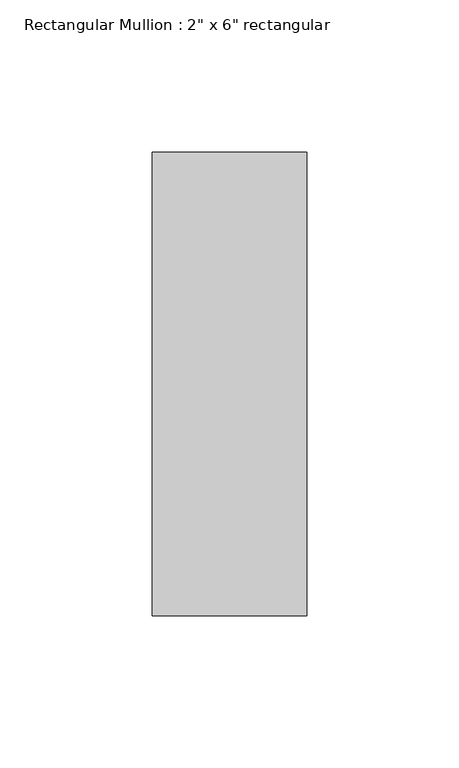
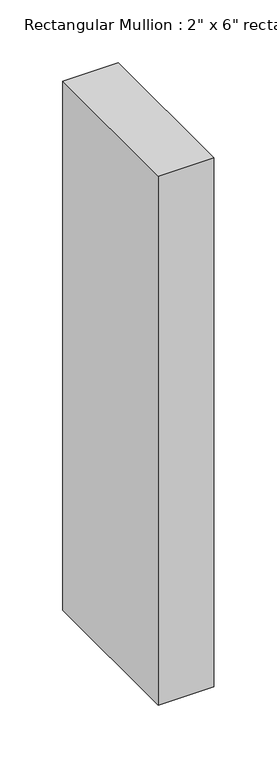
"""IFC4 building model written with IfcOpenShell, lengths in millimetres: member geometry."""

import ifcopenshell
import ifcopenshell.guid

model = None  # the IFC model being written
_history = None  # IfcOwnerHistory: only IFC2X3 demands one
_inside = {}  # id of a spatial element -> (the spatial element, [elements in it])
_under = {}  # id of a project, library or spatial element -> (it, [spatial elements below it])
_declared = {}  # id of a project -> (the project, [libraries it declares])
_typed = {}  # id of a type object -> (the type object, [elements of that type])
_made_of = {}  # id of a material, layer set ... -> (it, [elements and type objects made of it])


def new_model(schema):
    """Start an empty IFC model of exactly this schema.

    Asked for "IFC4X3", IfcOpenShell would pick the latest addendum, in which some entities
    have other attributes; the version numbers below select the first issue.
    IFC2X3 requires an IfcOwnerHistory on every rooted entity: one is made here for all.
    """
    global model, _history
    if schema == "IFC4X3":
        model = ifcopenshell.file(schema_version=(4, 3, 0, 0))
    else:
        model = ifcopenshell.file(schema=schema)
    _inside.clear()
    _under.clear()
    _declared.clear()
    _typed.clear()
    _made_of.clear()
    _history = None
    if model.schema == "IFC2X3":
        org = make("IfcOrganization", Name="unknown")
        user = make(
            "IfcPersonAndOrganization",
            ThePerson=make("IfcPerson", FamilyName="unknown"),
            TheOrganization=org,
        )
        app = make(
            "IfcApplication",
            ApplicationDeveloper=org,
            Version="unknown",
            ApplicationFullName="unknown",
            ApplicationIdentifier="unknown",
        )
        _history = make(
            "IfcOwnerHistory",
            OwningUser=user,
            OwningApplication=app,
            ChangeAction="ADDED",
            CreationDate=0,
        )
    return model


def make(cls, **values):
    """One entity of the class cls with the attributes given. An attribute that is None is left unset."""
    return model.create_entity(
        cls, **{name: value for name, value in values.items() if value is not None}
    )


def rooted(cls, **values):
    """An entity with a GlobalId (a new one), such as an element, a storey or a relation."""
    return make(cls, GlobalId=ifcopenshell.guid.new(), OwnerHistory=_history, **values)


def si_unit(unit_type, name, prefix=None):
    """IfcSIUnit, for example si_unit("LENGTHUNIT", "METRE", prefix="MILLI")."""
    return make("IfcSIUnit", UnitType=unit_type, Prefix=prefix, Name=name)


def assignment(units):
    """IfcUnitAssignment: the units of a project."""
    return None if units is None else make("IfcUnitAssignment", Units=units)


def point(xyz):
    """IfcCartesianPoint."""
    return None if xyz is None else make("IfcCartesianPoint", Coordinates=xyz)


def direction(xyz):
    """IfcDirection."""
    return None if xyz is None else make("IfcDirection", DirectionRatios=xyz)


def frame(location, z_axis=None, x_axis=None):
    """IfcAxis2Placement3D, a coordinate frame: its origin and axes. An axis left out is left unset."""
    return make(
        "IfcAxis2Placement3D",
        Location=point(location),
        Axis=direction(z_axis),
        RefDirection=direction(x_axis),
    )


def origin():
    """The frame at (0, 0, 0) with its axes left unset."""
    return frame((0.0, 0.0, 0.0))


def place(relative_to, where):
    """IfcLocalPlacement: puts the frame where relative to a parent placement (None: the world)."""
    return make(
        "IfcLocalPlacement", PlacementRelTo=relative_to, RelativePlacement=where
    )


def context(
    kind, dimensions, precision=None, world=None, true_north=None, identifier=None
):
    """IfcGeometricRepresentationContext, for example the 3D "Model" context."""
    return make(
        "IfcGeometricRepresentationContext",
        ContextIdentifier=identifier,
        ContextType=kind,
        CoordinateSpaceDimension=dimensions,
        Precision=precision,
        WorldCoordinateSystem=world,
        TrueNorth=true_north,
    )


def project(units=None, contexts=None):
    """IfcProject with its units and contexts."""
    return rooted(
        "IfcProject",
        Name="project",
        RepresentationContexts=contexts,
        UnitsInContext=assignment(units),
    )


def spatial(cls, under=None, at=None, **own):
    """A site, building, storey or space (cls), placed at a placement, below another one or the project."""
    s = rooted(cls, ObjectPlacement=at, **own)
    if under is not None:
        _under.setdefault(under.id(), (under, []))[1].append(s)
    return s


def polyline(points):
    """IfcPolyline through the points."""
    return make("IfcPolyline", Points=[point(p) for p in points])


def outline(outer, holes=None, kind="AREA"):
    """IfcArbitraryClosedProfileDef: a profile drawn as a closed curve; with holes, ...WithVoids."""
    if holes is None:
        return make("IfcArbitraryClosedProfileDef", ProfileType=kind, OuterCurve=outer)
    return make(
        "IfcArbitraryProfileDefWithVoids",
        ProfileType=kind,
        OuterCurve=outer,
        InnerCurves=holes,
    )


def extrude(swept, where, along, depth):
    """IfcExtrudedAreaSolid: the profile swept, set in the frame where, extruded along a direction by depth."""
    return make(
        "IfcExtrudedAreaSolid",
        SweptArea=swept,
        Position=where,
        ExtrudedDirection=direction(along),
        Depth=depth,
    )


def shape(context_of_items, identifier, shape_type, items):
    """IfcShapeRepresentation: the items that make up one representation, for example the "Body"."""
    return make(
        "IfcShapeRepresentation",
        ContextOfItems=context_of_items,
        RepresentationIdentifier=identifier,
        RepresentationType=shape_type,
        Items=items,
    )


def source(mapping_origin, context_of_items, identifier, shape_type, items):
    """IfcRepresentationMap: a shape defined once, which mapped items show again and again."""
    return make(
        "IfcRepresentationMap",
        MappingOrigin=mapping_origin,
        MappedRepresentation=shape(context_of_items, identifier, shape_type, items),
    )


def transform(
    local_origin,
    x_axis=None,
    y_axis=None,
    z_axis=None,
    scale=None,
    scale2=None,
    scale3=None,
    uniform=True,
):
    """IfcCartesianTransformationOperator3D, or its non-uniform kind. x_axis, y_axis, z_axis: its Axis1, 2, 3."""
    if uniform:
        return make(
            "IfcCartesianTransformationOperator3D",
            Axis1=direction(x_axis),
            Axis2=direction(y_axis),
            LocalOrigin=point(local_origin),
            Scale=scale,
            Axis3=direction(z_axis),
        )
    return make(
        "IfcCartesianTransformationOperator3DnonUniform",
        Axis1=direction(x_axis),
        Axis2=direction(y_axis),
        LocalOrigin=point(local_origin),
        Scale=scale,
        Axis3=direction(z_axis),
        Scale2=scale2,
        Scale3=scale3,
    )


def mapped(mapping_source, mapping_target):
    """IfcMappedItem: shows the shape of a source again, moved by a transform."""
    return make(
        "IfcMappedItem", MappingSource=mapping_source, MappingTarget=mapping_target
    )


def made_of(thing, what):
    """Note that an element or type object is made of a material, layer set ...; save() writes the relation."""
    if what is not None:
        _made_of.setdefault(what.id(), (what, []))[1].append(thing)
    return thing


def element(
    cls,
    number,
    at=None,
    inside=None,
    cuts=None,
    type_object=None,
    material=None,
    context=None,
    identifier="Body",
    shape_type=None,
    held_by="IfcProductDefinitionShape",
    body=None,
    shapes=None,
    **own,
):
    """One element of the class cls, such as IfcWall. Its Tag is "e" and its number.

    at: its placement. inside: the storey or other place that contains it. cuts: it is an
    opening in that element (IfcRelVoidsElement). A single representation is given by context,
    identifier, shape_type and body (its items); several are given by shapes. held_by: the class
    of the entity that holds the representations. save() writes the other relations.
    """
    e = rooted(cls, Tag="e%d" % number, ObjectPlacement=at, **own)
    if body is not None:
        shapes = [shape(context, identifier, shape_type, body)]
    if shapes is not None:
        e.Representation = make(held_by, Representations=shapes)
    if inside is not None:
        _inside.setdefault(inside.id(), (inside, []))[1].append(e)
    if cuts is not None:
        rooted(
            "IfcRelVoidsElement", RelatingBuildingElement=cuts, RelatedOpeningElement=e
        )
    if type_object is not None:
        _typed.setdefault(type_object.id(), (type_object, []))[1].append(e)
    return made_of(e, material)


def aggregate(whole, parts):
    """IfcRelAggregates: a whole, such as a stair, and the parts it consists of."""
    return rooted("IfcRelAggregates", RelatingObject=whole, RelatedObjects=parts)


def save(model, path):
    """Write the relations noted so far, then the file.

    IfcRelAggregates (storeys below a building ...), IfcRelContainedInSpatialStructure (elements
    in a storey), IfcRelDefinesByType, IfcRelAssociatesMaterial and IfcRelDeclares: one each for
    every whole, place, type object, material and project.
    """
    for whole, parts in _under.values():
        aggregate(whole, parts)
    for where, things in _inside.values():
        rooted(
            "IfcRelContainedInSpatialStructure",
            RelatedElements=things,
            RelatingStructure=where,
        )
    for kind, things in _typed.values():
        rooted("IfcRelDefinesByType", RelatedObjects=things, RelatingType=kind)
    for what, things in _made_of.values():
        rooted("IfcRelAssociatesMaterial", RelatedObjects=things, RelatingMaterial=what)
    for by, libraries in _declared.values():
        rooted("IfcRelDeclares", RelatingContext=by, RelatedDefinitions=libraries)
    model.write(path)


def member_e8db7b15(model_context):
    return source(origin(), model_context, "Body", "SweptSolid", [
        extrude(outline(polyline([(0.0, 76.2), (0.0, -76.2), (-50.8, -76.2), (-50.8, 76.2), (0.0, 76.2)])), frame((0.0, 0.0, -514.35), z_axis=(0.0, 0.0, 1.0), x_axis=(1.0, 0.0, 0.0)), (0.0, 0.0, 1.0), 514.35),
    ])


if __name__ == "__main__":
    model = new_model("IFC4")
    model_context = context("Model", 3, world=origin())
    ifc_project = project(units=[si_unit("LENGTHUNIT", "METRE", prefix="MILLI")], contexts=[model_context])
    site = spatial("IfcSite", under=ifc_project)
    building = spatial("IfcBuilding", under=site)
    placement = place(None, origin())
    member_shape = member_e8db7b15(model_context)
    element("IfcMember", 1, ObjectType="Rectangular Mullion : 2\" x 6\" rectangular", at=placement, inside=building, context=model_context, shape_type="MappedRepresentation", body=[
        mapped(member_shape, transform((0.0, 0.0, 0.0), x_axis=(1.0, 0.0, 0.0), y_axis=(0.0, 1.0, 0.0), z_axis=(0.0, 0.0, 1.0))),
    ])
    save(model, "model.ifc")
